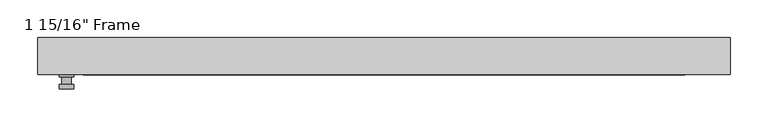
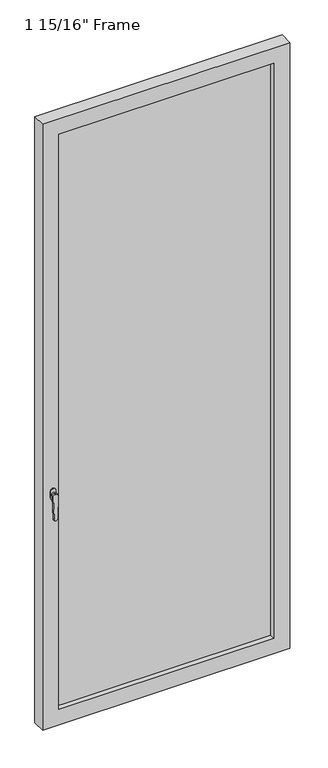
"""IFC4 building model written with IfcOpenShell, lengths in millimetres: plate geometry."""

from ifc_helpers import new_model, si_unit, frame, origin, place, context, project, spatial, polyline, circle_curve, outline, extrude, faceted_brep, source, transform, mapped, element, save
from ifc_brep_helpers import plane_surface, cylinder_surface, advanced_brep


def plate_11cab33c(model_context):
    return source(origin(), model_context, "Body", "SolidModel", [
        advanced_brep(
        [(-411.1625, -24.60625, 927.1), (-411.1625, -24.60625, 901.7), (-430.2125, -24.60625, 901.7), (-430.2125, -24.60625, 927.1), (-414.3375, -37.30625, 914.4), (-427.0375, -37.30625, 914.4), (-427.0375, -27.78125, 914.4), (-414.3375, -27.78125, 914.4), (-411.1625, -37.30625, 914.4), (-414.3415356, -37.30625, 825.2736467), (-427.0334644, -37.30625, 825.2736467), (-430.2125, -37.30625, 914.4), (-411.1625, -43.65625, 914.4), (-430.2125, -43.65625, 914.4), (-427.0334644, -43.65625, 825.2736467), (-414.3415356, -43.65625, 825.2736467), (-411.1625, -27.78125, 927.1), (-430.2125, -27.78125, 927.1), (-430.2125, -27.78125, 901.7), (-411.1625, -27.78125, 901.7)],
        [
            (0, 1),
            (1, 2, circle_curve(frame((-420.6875, -24.60625, 901.7), z_axis=(0.0, 1.0, 0.0), x_axis=(-1.0, 0.0, 0.0)), 9.525)),
            (2, 3),
            (3, 0, circle_curve(frame((-420.6875, -24.60625, 927.1), z_axis=(0.0, 1.0, 0.0), x_axis=(-1.0, 0.0, 0.0)), 9.525)),
            (4, 5, circle_curve(frame((-420.6875, -37.30625, 914.4), z_axis=(0.0, 1.0, 0.0), x_axis=(-1.0, 0.0, 0.0)), 6.35)),
            (5, 6),
            (6, 7, circle_curve(frame((-420.6875, -27.78125, 914.4), z_axis=(0.0, -1.0, 0.0), x_axis=(-1.0, 0.0, 0.0)), 6.35)),
            (7, 4),
            (5, 4, circle_curve(frame((-420.6875, -37.30625, 914.4), z_axis=(0.0, 1.0, 0.0), x_axis=(-1.0, 0.0, 0.0)), 6.35)),
            (7, 6, circle_curve(frame((-420.6875, -27.78125, 914.4), z_axis=(0.0, -1.0, 0.0), x_axis=(-1.0, 0.0, 0.0)), 6.35)),
            (8, 9),
            (9, 10, circle_curve(frame((-420.6875, -37.30625, 825.5), z_axis=(0.0, 1.0, 0.0), x_axis=(-1.0, 0.0, 0.0)), 6.35)),
            (10, 11),
            (11, 8, circle_curve(frame((-420.6875, -37.30625, 914.4), z_axis=(0.0, 1.0, 0.0), x_axis=(-1.0, 0.0, 0.0)), 9.525)),
            (12, 13, circle_curve(frame((-420.6875, -43.65625, 914.4), z_axis=(0.0, -1.0, 0.0), x_axis=(-1.0, 0.0, 0.0)), 9.525)),
            (13, 14),
            (14, 15, circle_curve(frame((-420.6875, -43.65625, 825.5), z_axis=(0.0, -1.0, 0.0), x_axis=(-1.0, 0.0, 0.0)), 6.35)),
            (15, 12),
            (8, 12),
            (15, 9),
            (14, 10),
            (13, 11),
            (16, 17, circle_curve(frame((-420.6875, -27.78125, 927.1), z_axis=(0.0, -1.0, 0.0), x_axis=(-1.0, 0.0, 0.0)), 9.525)),
            (17, 18),
            (18, 19, circle_curve(frame((-420.6875, -27.78125, 901.7), z_axis=(0.0, -1.0, 0.0), x_axis=(-1.0, 0.0, 0.0)), 9.525)),
            (19, 16),
            (0, 16),
            (19, 1),
            (18, 2),
            (17, 3),
        ],
        [
            plane_surface(frame((-427.0375, -24.60625, 914.4), z_axis=(0.0, 1.0, 0.0), x_axis=(0.0, 0.0, 1.0))),
            cylinder_surface(frame((-420.6875, -37.30625, 914.4), z_axis=(0.0, 1.0, 0.0), x_axis=(-1.0, 0.0, 0.0)), 6.35),
            plane_surface(frame((-411.1625, -37.30625, 914.4), z_axis=(0.0, 1.0000000000000002, 0.0), x_axis=(-0.03564619348186888, 0.0, -0.9993644724975235))),
            plane_surface(frame((-411.1625, -43.65625, 914.4), z_axis=(0.0, -1.0000000000000002, 0.0), x_axis=(0.03564619348186888, 0.0, 0.9993644724975235))),
            plane_surface(frame((-411.1625, -37.30625, 914.4), z_axis=(0.9993644724975235, 0.0, -0.03564619348186888), x_axis=(0.0, -1.0, 0.0))),
            cylinder_surface(frame((-420.6875, -43.65625, 825.5), z_axis=(0.0, 1.0, 0.0), x_axis=(-1.0, 0.0, 0.0)), 6.35),
            plane_surface(frame((-427.0334644, -37.30625, 825.2736467), z_axis=(-0.9993644724975228, 0.0, -0.03564619348188612), x_axis=(0.0, -1.0, 0.0))),
            cylinder_surface(frame((-420.6875, -43.65625, 914.4), z_axis=(0.0, 1.0, 0.0), x_axis=(-1.0, 0.0, 0.0)), 9.525),
            plane_surface(frame((-411.1625, -27.78125, 901.7), z_axis=(0.0, -1.0, 0.0), x_axis=(0.0, 0.0, 1.0))),
            plane_surface(frame((-411.1625, -24.60625, 927.1), z_axis=(1.0, 0.0, 0.0), x_axis=(0.0, -1.0, 0.0))),
            cylinder_surface(frame((-420.6875, -27.78125, 901.7), z_axis=(0.0, 1.0, 0.0), x_axis=(-1.0, 0.0, 0.0)), 9.525),
            plane_surface(frame((-430.2125, -24.60625, 901.7), z_axis=(-1.0, 0.0, 0.0), x_axis=(0.0, -1.0, 0.0))),
            cylinder_surface(frame((-420.6875, -27.78125, 927.1), z_axis=(0.0, 1.0, 0.0), x_axis=(-1.0, 0.0, 0.0)), 9.525),
        ],
        [
            (0, [[1, 2, 3, 4]]),
            (1, [[5, 6, 7, 8]]),
            (1, [[9, -8, 10, -6]]),
            (2, [[11, 12, 13, 14], [-5, -9]]),
            (3, [[15, 16, 17, 18]]),
            (4, [[-11, 19, -18, 20]]),
            (5, [[-12, -20, -17, 21]]),
            (6, [[-13, -21, -16, 22]]),
            (7, [[-14, -22, -15, -19]]),
            (8, [[23, 24, 25, 26], [-7, -10]]),
            (9, [[-1, 27, -26, 28]]),
            (10, [[-2, -28, -25, 29]]),
            (11, [[-3, -29, -24, 30]]),
            (12, [[-4, -30, -23, -27]]),
        ],
    ),
        faceted_brep([(-458.7875, -24.60625, 0.0), (-458.7875, 24.60625, 0.0), (458.7875, 24.60625, 0.0), (458.7875, -24.60625, 0.0), (-398.4625, 24.60625, 2316.1625), (-398.4625, 18.25625, 2316.1625), (-398.4625, 18.25625, 60.325), (-398.4625, 24.60625, 60.325), (411.1625, 18.25625, 2328.8625), (-411.1625, 18.25625, 2328.8625), (-411.1625, 18.25625, 47.625), (411.1625, 18.25625, 47.625), (398.4625, 18.25625, 2316.1625), (398.4625, 18.25625, 60.325), (-411.1625, -5.55625, 2328.8625), (-411.1625, -5.55625, 47.625), (411.1625, -5.55625, 2328.8625), (411.1625, -5.55625, 47.625), (-398.4625, -5.55625, 2316.1625), (-398.4625, -5.55625, 60.325), (398.4625, -5.55625, 60.325), (398.4625, -5.55625, 2316.1625), (-398.4625, -24.60625, 2316.1625), (-398.4625, -24.60625, 60.325), (458.7875, -24.60625, 2376.4875), (-458.7875, -24.60625, 2376.4875), (398.4625, -24.60625, 2316.1625), (398.4625, -24.60625, 60.325), (-458.7875, 24.60625, 2376.4875), (458.7875, 24.60625, 2376.4875), (398.4625, 24.60625, 60.325), (398.4625, 24.60625, 2316.1625)], [[[0, 1, 2, 3]], [[4, 5, 6, 7]], [[8, 9, 10, 11], [5, 12, 13, 6]], [[10, 9, 14, 15]], [[14, 16, 17, 15], [18, 19, 20, 21]], [[18, 22, 23, 19]], [[0, 3, 24, 25], [22, 26, 27, 23]], [[1, 0, 25, 28]], [[2, 1, 28, 29], [4, 7, 30, 31]], [[5, 4, 31, 12]], [[9, 8, 16, 14]], [[18, 21, 26, 22]], [[25, 24, 29, 28]], [[12, 31, 30, 13]], [[17, 16, 8, 11]], [[26, 21, 20, 27]], [[24, 3, 2, 29]], [[23, 27, 20, 19]], [[11, 10, 15, 17]], [[6, 13, 30, 7]]]),
        extrude(outline(polyline([(411.1625, -5.55625), (-411.1625, -5.55625), (-411.1625, 18.25625), (411.1625, 18.25625), (411.1625, -5.55625)])), frame((0.0, 0.0, 47.625), z_axis=(0.0, 0.0, 1.0), x_axis=(1.0, 0.0, 0.0)), (0.0, 0.0, 1.0), 2281.2375),
    ])


if __name__ == "__main__":
    model = new_model("IFC4")
    model_context = context("Model", 3, world=origin())
    ifc_project = project(units=[si_unit("LENGTHUNIT", "METRE", prefix="MILLI")], contexts=[model_context])
    site = spatial("IfcSite", under=ifc_project)
    building = spatial("IfcBuilding", under=site)
    placement = place(None, origin())
    plate_shape = plate_11cab33c(model_context)
    element("IfcPlate", 1, ObjectType="1 15/16\" Frame", at=placement, inside=building, context=model_context, shape_type="MappedRepresentation", body=[
        mapped(plate_shape, transform((0.0, 0.0, 0.0), x_axis=(1.0, 0.0, 0.0), y_axis=(0.0, 1.0, 0.0), z_axis=(0.0, 0.0, 1.0))),
    ])
    save(model, "model.ifc")
